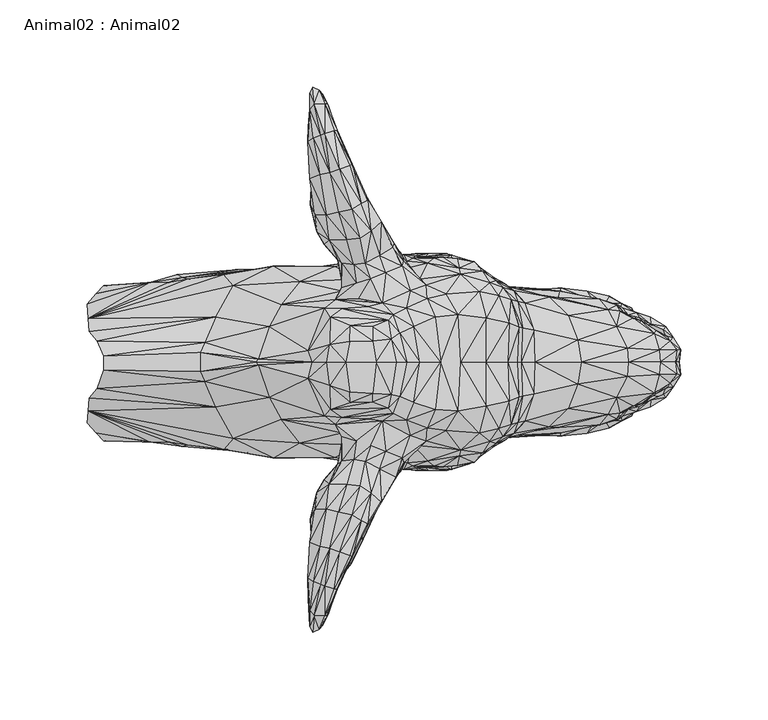
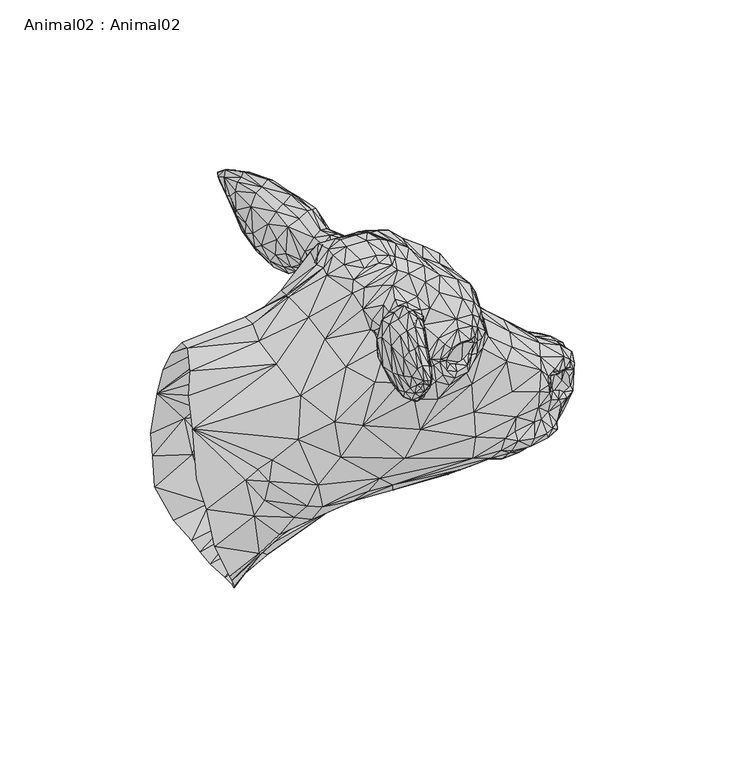
"""IFC4 building model written with IfcOpenShell, lengths in millimetres: geographic element geometry, Animal02 : Animal02."""

from ifc_helpers import new_model, si_unit, origin, place, context, project, spatial, triangles, source, transform, mapped, element, save


def animal02_animal02_574e4357(model_context):
    return source(origin(), model_context, "Body", "Tessellation", [
        triangles([(-230.8999868, 157.4538885, 793.0487589), (-235.1472021, 163.7828626, 784.6861879), (-237.748951, 165.3394718, 783.2227598), (-231.8325243, 157.0190495, 774.8603342), (-229.038418, 150.180041, 763.1510199), (-235.3130895, 165.0904318, 788.0311872), (-233.3754353, 162.7625034, 786.1496887), (-230.0159019, 155.5579649, 777.1599758), (-239.1580946, 166.7597521, 789.076545), (-240.991631, 163.3200093, 788.0311872), (-240.3244115, 162.1833418, 784.6861879), (-217.5898617, 30.1912803, 804.0716326), (-194.1740672, -9.4489299, 805.2083364), (-204.9000113, -8.8787958, 807.9195082), (-217.5898617, -14.0886147, 804.4089666), (-204.9000113, 21.2524569, 808.4964352), (-218.0430862, 20.9511081, 809.1003954), (-218.0430862, -8.0646132, 808.5233957), (-220.2324693, 9.2239197, 810.5600447), (-191.3870461, 9.2239197, 807.3637281), (-202.7106464, 9.2239197, 809.9561571), (-199.3144147, 43.1422476, 788.901265), (-205.7696167, 84.4837149, 793.2577578), (-207.4960011, 102.144174, 795.139329), (-205.9136667, 89.0329104, 787.6131168), (-213.9618492, 99.3599236, 793.2577578), (-221.4504546, 120.3764823, 797.0209002), (-216.5796036, 122.6477917, 799.1115429), (-226.0129486, 117.7873144, 790.5399731), (-230.7958689, 138.3762648, 790.5399731), (-231.283975, 93.4637082, 795.139329), (-238.1413689, 93.8549453, 785.9406172), (-207.4808131, -23.4624283, 790.8547794), (-199.3144147, -24.6944116, 788.901265), (-165.9106761, 9.2239197, 790.626087), (-229.2592439, 35.0078037, 800.881275), (-232.3784758, -21.7147878, 791.3950808), (-192.9336996, 36.4738297, 798.2010607), (-222.3968903, 39.9122032, 793.320472), (-192.9336996, -20.3860217, 797.8717203), (-222.3968903, -22.5617111, 793.320472), (-185.5897074, 40.1574189, 794.3431566), (-204.9000113, 29.5487505, 803.4606234), (-194.1740672, 22.5022057, 806.0789955), (-189.3328111, 25.8850025, 802.590037), (-223.6430896, 119.815679, 805.3833984), (-218.0167979, 121.7468111, 802.0383991), (-211.2997297, 99.9088454, 798.6933998), (-235.0335644, 116.7532296, 799.1115429), (-216.5199416, 96.7821558, 803.5018272), (-224.5333878, 95.1235996, 798.6933998), (-211.9634246, 80.2678385, 797.2299717), (-234.6178558, 139.3462183, 799.9477564), (-229.3195237, 117.8452142, 802.0383991), (-229.2592439, -18.0860293, 800.202392), (-229.3732995, -4.2627247, 805.555481), (-239.5468609, 9.2239197, 798.104991), (-229.3732995, 19.1715269, 805.555481), (-231.1132914, 9.2239197, 806.6272179), (-185.4405886, 9.2239197, 804.4051878), (-177.8170714, 9.2239197, 798.9715078), (-189.3328111, -10.4706227, 802.590037), (-181.2227501, -14.0241349, 798.9715078), (-195.8358298, 33.2635787, 800.7822985), (-204.9000113, -13.5777675, 804.0893641), (-195.8358298, -17.1757696, 801.4402525), (-233.9599199, -136.5974126, 787.2650276), (-228.88939, -119.1374318, 796.3937582), (-230.8999868, -136.4027842, 793.0487589), (-232.3981148, -136.1658165, 794.512187), (-235.0335644, -96.5698686, 799.1115429), (-226.0129486, -97.6039533, 790.5399731), (-230.7958689, -117.3251515, 790.5399731), (-221.4504546, -100.1931212, 797.0209002), (-240.9890694, -94.2362265, 790.5399731), (-231.283975, -75.0158653, 795.139329), (-225.162183, -121.2028944, 797.8571863), (-238.8940846, -116.6220966, 797.8571863), (-234.6178558, -118.2950959, 799.9477564), (-211.9634246, -61.8200047, 797.2299717), (-224.5333878, -76.6757613, 798.6933998), (-223.6430896, -99.6323179, 805.3833984), (-218.0167979, -101.5634409, 802.0383991), (-216.5199416, -78.3343083, 803.5018272), (-232.3798747, -119.1255321, 803.5018272), (-238.238238, -136.2123525, 796.8118286), (-226.7431366, -120.830706, 799.9477564), (-216.5796036, -102.4644306, 799.1115429), (-211.2997297, -81.4609979, 798.6933998), (-207.4960011, -83.6963357, 795.139329), (-229.3195237, -97.6618531, 802.0383991), (-197.2610335, 60.5310936, 782.8046894), (-215.5479624, 64.9579309, 783.2227598), (-214.2879557, 54.5209953, 782.8046894), (-226.1399757, 44.9149637, 777.6789122), (-214.2879557, -36.0731524, 782.8046894), (-222.5762579, -33.570698, 770.8881203), (-127.3139585, 9.2239197, 756.4655268), (-139.6806365, 9.2239197, 766.8052299), (-196.1226038, 77.3864737, 761.2502638), (-197.5698991, 84.6141939, 753.9540522), (-202.4701087, 84.1757396, 763.3619081), (-187.5015457, 69.3617364, 756.7275747), (-177.9851389, 56.7092702, 755.7075062), (-186.8949512, 67.211418, 764.3356859), (-222.3799582, 54.5284167, 762.5794704), (-224.7553219, 67.6261956, 764.3772532), (-228.4372919, 76.3839096, 753.9540522), (-162.6439423, 48.3198386, 772.5336594), (-174.2008495, 53.4221389, 766.0739519), (-187.7517848, 64.272871, 774.8317749), (-193.3363821, 74.9642696, 772.3515484), (-222.5762579, 52.0185363, 770.8881203), (-236.7198714, 83.8830249, 777.5781189), (-238.8361666, 140.2103825, 766.4960192), (-143.7812219, -31.3087539, 761.3323809), (-173.578849, -28.5791853, 784.8277491), (-139.6806365, 34.5449027, 768.1624146), (-139.6806365, -16.0970632, 768.1624146), (-226.1399757, -26.4671231, 777.6789122), (-235.1472021, -142.7317402, 784.6861879), (-240.3244115, -141.1322194, 784.6861879), (-191.7349355, -56.5164313, 772.3515484), (-187.7517848, -45.8250327, 774.8317749), (-202.4701087, -65.7278967, 763.3619081), (-196.1226038, -58.9386308, 761.2502638), (-188.7041975, -53.4595685, 755.6265518), (-192.593168, -58.6552361, 765.2434793), (-187.5015457, -50.9138935, 756.7275747), (-224.7553219, -49.1783527, 764.3772532), (-236.7198714, -65.435182, 777.5781189), (-232.4989444, -58.2071439, 767.5193579), (-240.2792835, -131.0309828, 777.1599758), (-238.8361666, -119.1592601, 766.4960192), (-236.9262178, -135.900889, 773.1877619), (-229.038418, -125.6578823, 763.1510199), (-231.8325243, -135.9679271, 774.8603342), (-226.3231223, -123.692568, 766.4960192), (-240.4569252, -103.3761028, 769.8427626), (-222.3799582, -36.0805761, 762.5794704), (-221.8994461, -42.3764741, 755.6265518), (-181.7449566, -38.2614318, 754.9772455), (-186.8949512, -48.7635797, 764.3356859), (-174.2008495, -35.970145, 766.0739519), (-222.464982, -47.6018455, 772.3515484), (-125.4652614, 44.9475926, 742.7545904), (-137.7956498, 54.7304166, 747.6156309), (-132.572949, -28.9738151, 752.5898912), (-225.2344532, 123.2283431, 739.946913), (-201.1074012, 78.809897, 745.8006254), (-198.7080927, 59.5613672, 744.01556), (-214.0038706, 66.5906529, 748.5184828), (-230.7908001, 137.4997104, 750.6474226), (-233.5089118, 98.928709, 747.6821966), (-227.317829, 81.9965303, 744.3371973), (-233.4666179, 119.5503063, 744.5462688), (-207.1047096, 88.0158849, 741.8284842), (-156.3278307, 68.6090389, 737.09091), (-157.3692461, 66.0582135, 733.6163401), (-149.4063964, 64.583953, 732.7196651), (-141.1070847, 59.4738407, 729.2450953), (-146.6987037, 66.7599558, 735.5324295), (-138.0362329, 58.5601974, 730.5634014), (-134.2202594, 56.0018006, 735.9921398), (-167.0137519, 69.0754349, 728.2363632), (-173.7969679, 69.2274968, 728.4925249), (-186.8612323, 70.7025703, 723.8434628), (-185.0306936, 67.1895807, 733.6403212), (-162.7525839, 68.5023276, 733.0559092), (-164.4188521, 69.4501077, 735.1748205), (-142.1173337, 61.4764937, 742.6852633), (-155.2558758, 63.1850241, 745.5956961), (-169.511183, 68.9125497, 740.7765135), (-129.8713515, 51.9737716, 740.3173845), (-181.7192678, 68.7644437, 731.0034182), (-121.6380423, 43.7655699, 726.9089006), (-118.9043247, 28.7755941, 730.4605007), (-212.3637817, 106.337223, 740.5740549), (-229.9904493, 99.7568561, 740.5740549), (-216.843214, 104.2484333, 737.2290556), (-121.6380423, -25.3177293, 726.9089006), (-125.4652614, -26.4997519, 742.7545904), (-121.5731298, 9.2239197, 744.7297606), (-227.317829, -63.5486828, 744.3371973), (-203.286665, -72.2716969, 744.3371973), (-201.1074012, -60.3620496, 745.8006254), (-225.2344532, -103.0449911, 739.946913), (-230.7908001, -116.448588, 750.6474226), (-226.2337927, -115.3420966, 752.7379927), (-212.3637817, -87.8893755, 740.5740549), (-162.7525839, -50.0544892, 733.0559092), (-157.3692461, -47.6103752, 733.6163401), (-149.4063964, -46.1361147, 732.7196651), (-141.1070847, -41.0260024, 729.2450953), (-181.7192678, -50.3166008, 731.0034182), (-180.0486212, -51.4948628, 725.8125286), (-174.7315766, -51.2076983, 726.4964258), (-173.7969679, -50.7796539, 728.4925249), (-167.0137519, -50.627592, 728.2363632), (-155.2558758, -44.7371812, 745.5956961), (-146.6987037, -48.3121174, 735.5324295), (-156.3278307, -50.161196, 737.09091), (-164.4188521, -51.0022648, 735.1748205), (-169.511183, -50.4647113, 740.7765135), (-138.0362329, -40.112359, 730.5634014), (-216.843214, -85.8005859, 737.2290556), (-207.1047096, -69.5680465, 741.8284842), (-229.9904493, -81.3090177, 740.5740549), (-134.2202594, -37.5539646, 735.9921398), (-134.3159385, -37.3048609, 723.0504152), (-124.0569263, -31.7151676, 725.2866159), (-129.8713515, -33.525931, 740.3173845), (-142.1173337, -43.0286508, 742.6852633), (-284.5984169, 53.0658243, 724.7580872), (-222.3968903, 49.8166449, 760.845492), (-257.332494, 42.2340454, 759.5985477), (-120.8179161, 29.2746916, 746.5794296), (-126.5587448, 31.5806032, 757.7807081), (-143.7812219, 49.7565968, 761.3323809), (-132.572949, 47.4216558, 752.5898912), (-154.2657655, 59.6712851, 752.2740675), (-173.2219304, 65.8158001, 745.1311169), (-195.4993678, 79.4409904, 753.7449806), (-198.0121141, 74.1256172, 749.9819109), (-192.0584986, 73.041163, 751.8107237), (-188.7041975, 71.9074068, 755.6265518), (-196.0857601, 78.9367334, 757.7171946), (-203.286665, 90.7195443, 744.3371973), (-198.665708, 82.2566616, 749.1456247), (-220.2648438, 124.622435, 744.5462688), (-226.2337927, 136.3932281, 752.7379927), (-217.1984975, 123.9749454, 750.3999813), (-202.1829533, 93.5423917, 751.0271959), (-210.1987431, 107.5776178, 747.6821966), (-218.4162466, 89.6657751, 762.525622), (-233.3869171, 114.1179617, 765.4524782), (-221.8994461, 60.824317, 755.6265518), (-213.2312978, 56.8179481, 748.2950953), (-220.6955225, 63.2672547, 752.072481), (-239.7100777, 114.0762945, 765.4524782), (-240.4569252, 123.5594548, 769.8427626), (-236.3310688, 116.7769109, 750.3999813), (-238.3545463, 127.7138524, 757.3374212), (-230.8781858, 83.1088988, 751.0271959), (-224.4412967, 75.9737647, 749.1456247), (-221.2265947, 72.3560531, 753.7449806), (-236.7412, 85.3789728, 762.525622), (-223.6555162, 71.3568045, 757.7171946), (-235.454469, 136.7398821, 752.7379927), (-162.6439423, -29.871998, 772.5336594), (-154.2657655, -41.2234422, 752.2740675), (-257.332494, -23.7862048, 759.5985477), (-185.0306936, -48.7417423, 733.6403212), (-284.5984169, -34.6179837, 724.7580872), (-173.2219304, -47.3679617, 745.1311169), (-126.5587448, -13.1327638, 757.7807081), (-137.7956498, -36.2825782, 747.6156309), (-120.8179161, -10.826851, 746.5794296), (-195.4993678, -60.993152, 753.7449806), (-230.8781858, -64.6610604, 751.0271959), (-198.665708, -63.8088232, 749.1456247), (-233.5089118, -80.4808706, 747.6821966), (-236.7412, -66.931139, 762.525622), (-235.454469, -115.6887597, 752.7379927), (-238.3545463, -110.1337845, 757.3374212), (-233.4666179, -99.3669453, 744.5462688), (-220.2648438, -107.0423489, 744.5462688), (-217.1984975, -106.3948593, 750.3999813), (-221.8127144, -112.3256656, 757.3374212), (-210.1987431, -92.1669306, 747.6821966), (-240.5435297, -80.9284632, 763.7799786), (-236.3310688, -96.5935499, 750.3999813), (-202.1829533, -75.0945488, 751.0271959), (-237.1177759, -122.5462263, 763.1510199), (-233.6897148, -124.8738549, 760.4331625), (-197.5698991, -66.166351, 753.9540522), (-192.0584986, -54.5933247, 751.8107237), (-196.0857601, -60.488895, 757.7171946), (-198.0121141, -55.6777788, 749.9819109), (-224.4412967, -57.5259264, 749.1456247), (-213.2312978, -38.3701098, 748.2950953), (-222.3968903, -31.3688066, 760.845492), (-220.6955225, -44.8194163, 752.072481), (-223.6555162, -52.9089662, 757.7171946), (-228.4372919, -57.9360712, 753.9540522), (-221.2265947, -53.9082102, 753.7449806), (-214.0038706, -48.1428145, 748.5184828), (-301.0020305, 20.4251205, 760.2219835), (-303.4974087, 14.646777, 772.6912806), (-358.8359822, 12.6257964, 769.9487154), (-362.6386934, -6.0390567, 756.7169649), (-358.8359822, 4.5363343, 769.9487154), (-362.6386934, 21.3003464, 756.7169649), (-367.0871501, 26.7368514, 739.6655348), (-264.1948477, 29.5919778, 773.9381521), (-294.6900975, 34.9646263, 745.9190775), (-303.4974087, 3.8010625, 772.6912806), (-270.4333477, 7.6460955, 783.2900522), (-301.0020305, -1.9772805, 760.2219835), (-367.0871501, -11.4755623, 739.6655348), (-271.758612, 9.2239197, 783.2900522), (-149.8550154, 62.2902704, 716.2434906), (-144.1352065, 59.3066271, 717.2522226), (-158.378614, 65.3199274, 716.3555477), (-141.2192417, 59.1355847, 715.1226288), (-149.3636664, 67.5067943, 713.2385868), (-164.6591899, 67.5996574, 719.8301176), (-159.8633162, 70.6794113, 713.4573961), (-168.7761988, 70.6289919, 717.3312149), (-172.9333215, 71.4999599, 715.2498739), (-162.6643807, 71.4682803, 708.881222), (-166.0745287, 69.3210049, 702.5839319), (-178.6601885, 71.2635462, 711.4349905), (-147.1183547, 61.5035678, 702.1181173), (-148.4070842, 67.2036696, 707.106839), (-134.9386748, 57.3960469, 712.9930349), (-87.1930881, 21.9248495, 694.4897312), (-174.0344534, 66.1562771, 690.5738365), (-195.6238697, 68.8074098, 699.7077267), (-92.8988808, -17.3899848, 691.0642136), (-111.5881652, 9.2239197, 720.5129248), (-87.1930881, -3.47701, 694.4897312), (-159.8633162, -52.2315729, 713.4573961), (-149.8550154, -43.842432, 716.2434906), (-149.3636664, -49.0589514, 713.2385868), (-141.2192417, -40.6877463, 715.1226288), (-162.6643807, -53.0204374, 708.881222), (-148.4070842, -48.7558221, 707.106839), (-158.378614, -46.872089, 716.3555477), (-164.6591899, -49.1518191, 719.8301176), (-166.0745287, -50.873162, 702.5839319), (-172.9333215, -53.052117, 715.2498739), (-134.9386748, -38.9482086, 712.9930349), (-147.1183547, -43.0557295, 702.1181173), (-40.6035036, 2.2209362, 662.5247492), (-58.7886309, 17.3211187, 671.8017265), (-70.2142053, 39.3524036, 664.5723713), (-65.1322708, 29.4826276, 668.6318619), (-127.1948615, 50.7855856, 710.5966696), (-92.8988808, 35.8378266, 691.0642136), (-103.735465, 46.5126814, 687.9871485), (-138.5661151, 55.2538539, 685.1798344), (-236.745433, 63.6342109, 687.0257246), (-290.0357122, 59.3297134, 690.3080824), (-255.0511471, 61.5564716, 663.609276), (-195.6238697, -50.3595669, 699.7077267), (-58.7886309, 0.8148344, 671.8017265), (-127.1948615, -32.3377427, 710.5966696), (-236.745433, -45.1863725, 687.0257246), (-117.5374477, -24.4965403, 713.5219271), (-103.735465, -28.0648386, 687.9871485), (-58.0334172, 9.2239197, 672.3921701), (-85.4309409, 9.2239197, 697.4516144), (-321.8398393, 54.8982706, 671.8731611), (-367.8415372, 34.1362408, 713.6986605), (-332.6532417, 54.8982706, 666.1519987), (-368.3241749, 42.6155447, 672.8146734), (-368.3241749, -25.6592736, 672.8146734), (-138.4154157, 57.5358458, 723.3046875), (-169.1452897, 69.4322263, 725.8826551), (-129.2328821, 54.0730394, 722.8517355), (-134.3159385, 55.7527016, 723.0504152), (-174.7315766, 69.6555366, 726.4964258), (-180.0486212, 69.9427012, 725.8125286), (-112.3433698, 27.524326, 718.4396502), (-124.0569263, 50.1630082, 725.2866159), (-117.5374477, 42.9443809, 713.5219271), (-207.575175, 67.8807086, 717.8161417), (-226.6838197, 63.9544675, 723.4091869), (-246.7270367, 55.4929927, 739.0242949), (-261.6994513, 64.1515757, 699.122806), (-178.6601885, -52.8157079, 711.4349905), (-168.7761988, -52.1811536, 717.3312149), (-169.1452897, -50.9843834, 725.8826551), (-112.3433698, -9.0764854, 718.4396502), (-186.8612323, -52.2547319, 723.8434628), (-207.575175, -49.4328702, 717.8161417), (-198.7080927, -41.1135243, 744.01556), (-294.6900975, -16.5167846, 745.9190775), (-367.8415372, -18.8749516, 713.6986605), (-261.6994513, -45.7037374, 699.122806), (-226.6838197, -45.5066246, 723.4091869), (-246.7270367, -37.0451521, 739.0242949), (-129.2328821, -35.6251988, 722.8517355), (-138.4154157, -39.0880075, 723.3046875), (-144.1352065, -40.8587887, 717.2522226), (-118.9043247, -10.3277524, 730.4605007), (-119.6595202, 9.2239197, 729.8681677), (-270.4333477, 11.054534, 783.2900522), (-232.3784758, 40.2973677, 791.3950808), (-181.2227501, 29.4385124, 798.9715078), (-173.578849, 45.6585457, 784.8277491), (-168.9314946, 34.8863494, 791.9412683), (-207.4808131, 41.0917278, 790.8547794), (-183.177827, 50.1316421, 777.7456232), (-199.9569446, 89.7332037, 789.494688), (-200.8702791, 70.3890039, 783.2227598), (-192.593168, 77.103079, 765.2434793), (-213.3515121, 90.4117779, 777.5781189), (-219.2668306, 98.732718, 785.9406172), (-229.0638343, 101.0888605, 763.7799786), (-205.880511, 57.1469479, 786.9859022), (-208.9311606, 66.0790653, 786.9859022), (-212.7278765, 45.652119, 785.104331), (-240.9890694, 114.4195875, 790.5399731), (-240.5435297, 99.3763016, 763.7799786), (-219.6239491, 79.4702855, 793.2577578), (-229.6736263, 79.031922, 789.494688), (-232.4989444, 76.6549777, 767.5193579), (-222.464982, 66.0496884, 772.3515484), (-183.177827, -32.993444, 777.7456232), (-264.1948477, -11.1441383, 773.9381521), (-168.9314946, -17.9552392, 791.9412683), (-185.5897074, -23.9846756, 794.3431566), (-241.736244, 15.6784387, 798.104991), (-154.2992118, 9.2239197, 777.4450602), (-155.8096211, 36.5737487, 779.0904539), (-241.736244, -0.2640606, 798.104991), (-155.8096211, -18.8842727, 779.0904539), (-229.6736263, -60.5840882, 789.494688), (-234.0410923, -106.3888641, 769.8427626), (-233.5708993, -115.5695083, 775.2784046), (-233.3869171, -93.9346006, 765.4524782), (-239.7100777, -93.8929335, 765.4524782), (-213.3515121, -71.9639395, 777.5781189), (-229.0638343, -82.6410222, 763.7799786), (-218.4162466, -71.2179413, 762.525622), (-238.1413689, -75.4071024, 785.9406172), (-199.9569446, -71.2853654, 789.494688), (-205.7696167, -66.0358675, 793.2577578), (-200.8702791, -51.941161, 783.2227598), (-219.2668306, -80.2848797, 785.9406172), (-213.9618492, -80.9120852, 793.2577578), (-205.9136667, -70.5850675, 787.6131168), (-240.9087872, -133.1100346, 792.9531252), (-241.6500937, -126.4949588, 781.9684032), (-241.8626897, -113.8208232, 775.2784046), (-242.1561493, -114.3733331, 792.0990349), (-233.8876133, -128.5466958, 781.9684032), (-230.0159019, -134.5068425, 777.1599758), (-238.3495321, -133.6077877, 774.8603342), (-233.3754353, -141.711381, 786.1496887), (-239.1580946, -145.7086297, 789.076545), (-237.748951, -144.2883494, 783.2227598), (-235.3130895, -144.0393094, 788.0311872), (-240.991631, -142.2688869, 788.0311872), (-219.6239491, -61.0224426, 793.2577578), (-215.5479624, -46.5100835, 783.2227598), (-205.880511, -38.6991095, 786.9859022), (-208.9311606, -47.6312224, 786.9859022), (-197.2610335, -42.0832507, 782.8046894), (-238.238238, 157.2634749, 796.8118286), (-232.3981148, 157.216948, 794.512187), (-232.3798747, 140.1766545, 803.5018272), (-226.7431366, 141.8818193, 799.9477564), (-225.162183, 142.2540077, 797.8571863), (-221.8127144, 133.376788, 757.3374212), (-226.3231223, 144.7436814, 766.4960192), (-234.0410923, 123.9689502, 769.8427626), (-233.8876133, 149.5978182, 781.9684032), (-233.5708993, 136.6206216, 775.2784046), (-233.9599199, 157.648535, 787.2650276), (-228.88939, 140.1885633, 796.3937582), (-240.9087872, 154.161157, 792.9531252), (-242.1561493, 135.4244646, 792.0990349), (-240.2792835, 152.0820961, 777.1599758), (-237.1177759, 143.5973487, 763.1510199), (-233.6897148, 149.3960137, 760.4331625), (-236.9262178, 156.9520114, 773.1877619), (-241.6500937, 144.0750358, 781.9684032), (-241.8626897, 134.8719547, 775.2784046), (-238.3495321, 154.6589101, 774.8603342), (-238.8940846, 137.67321, 797.8571863), (-34.4713152, -2.7677984, 650.4580439), (-28.3391223, 1.9332065, 642.0051441), (-31.2285876, 9.2239197, 651.9770645), (-29.3254924, 9.2239197, 641.1995974), (-28.3391223, 16.514634, 642.0051441), (-64.1857851, -23.5479018, 643.49219), (-61.0964116, -19.549261, 649.9355467), (-59.1487561, -14.8897559, 653.7613306), (-63.1112232, -19.9930497, 655.7077234), (-57.2682704, -10.4348725, 648.3918909), (-54.8504901, -8.592626, 646.5796469), (-51.2909963, -14.3980912, 650.4054308), (-55.9250611, -11.14484, 652.5531921), (-43.5675578, -5.8637211, 644.7003284), (-43.5675578, 24.3115611, 644.7003284), (-54.8504901, 27.0404666, 646.5796469), (-42.3586745, 27.3083281, 648.5931868), (-61.0964116, 37.9971016, 649.9355467), (-51.3581615, 33.1178209, 652.8217077), (-59.1487561, 33.3375977, 653.7613306), (-55.9250611, 29.5926795, 652.5531921), (-51.2909963, 32.8459307, 650.4054308), (-57.2682704, 28.882712, 648.3918909), (-45.6495256, -12.6037297, 630.9565453), (-51.7611211, -16.2080257, 637.1159803), (-58.2756717, -17.8118216, 639.9349216), (-38.2928843, -9.3284669, 631.64582), (-45.6572649, 35.1003534, 627.9727158), (-51.7611211, 34.6558675, 637.1159803), (-53.6416068, 37.5553476, 630.8067724), (-58.2756717, 36.2596622, 639.9349216), (-37.0087716, 29.5009359, 628.0578123), (-38.2928843, 27.7763092, 631.64582), (-45.6495256, 31.051568, 630.9565453), (-75.3059821, -25.878419, 635.3218311), (-60.1561619, -19.0898504, 645.640024), (-38.1275692, 19.783524, 641.8142401), (-64.1857851, 41.9957424, 643.49219), (-60.1561619, 37.537691, 645.640024), (-36.4537251, -4.4339465, 636.9300905), (-38.1275692, -1.3356829, 641.8142401), (-34.4713152, 21.2156382, 650.4580439), (-36.4537251, 22.881786, 636.9300905), (-78.8562605, -26.1840395, 623.2937862), (-51.1830904, -17.4901752, 624.4109419), (-56.4626283, -20.6539787, 612.3811529), (-97.5099184, 48.5257217, 623.703863), (-78.8562605, 44.6318824, 623.2937862), (-82.0486619, 50.062701, 612.8038015), (-71.8593493, 42.6402343, 622.0224249), (-56.4626283, 39.1018193, 612.3811529), (-105.3626095, 41.9033789, 597.6287467), (-102.1996939, 48.3824665, 605.6240799), (-86.1990354, 44.5474398, 602.091265), (-73.5655723, 33.5837445, 597.8146729), (-66.681563, 33.2988645, 603.3928207), (-71.8910879, 38.8365875, 602.4631173), (-71.8910879, -20.3887491, 602.4631173), (-73.5655723, -15.1359039, 597.8146729), (-86.1990354, -26.0995992, 602.091265), (-88.9898534, -20.8078982, 596.3271546), (-66.681563, -14.8510239, 603.3928207), (-71.9391545, 9.2239197, 604.2997421), (-67.6118387, 30.3584486, 600.2318582), (-64.7961766, 15.0286839, 600.2318582), (-63.8659055, 16.498893, 603.3928207), (-64.6084701, 9.2239197, 600.2318582), (-66.5165658, 9.2239197, 597.9322165), (-66.7042815, 13.5994527, 597.9322165), (-63.6781944, 9.2239197, 603.3928207), (-64.7961766, 3.4191565, 600.2318582), (-63.8659055, 1.9489478, 603.3928207), (-65.9780949, 43.358459, 603.9282532), (-58.8193249, 9.2239197, 606.8802896), (-139.9201931, 39.1683441, 597.8663049), (-139.9201931, -20.7205035, 597.8663049), (-137.6939118, -26.4997111, 605.8124042), (-110.3836239, 50.0458779, 612.1042803), (-114.8513835, 43.1958599, 602.6490798), (-137.6939118, 44.9475517, 605.8124042), (-201.3021749, 46.5492254, 610.4668802), (-230.2602366, 37.6911678, 600.5159615), (-223.2551773, 47.9884498, 612.9607687), (-194.3683867, 34.7490872, 596.1003516), (-62.1719091, -24.4271064, 610.4792341), (-56.4626283, -21.750546, 606.2317463), (-83.740301, -28.6163038, 604.5622261), (-82.0486619, -31.6148603, 612.8038015), (-110.3836239, -31.598035, 612.1042803), (-96.850511, -33.2289038, 617.0302877), (-100.4452407, -30.0274027, 606.8867935), (-69.3613731, -28.5006336, 610.9018827), (-65.9780949, -24.9106184, 603.9282532), (-223.2551773, -29.5406115, 612.9607687), (-201.3021749, -28.1013847, 610.4668802), (-102.1996939, -29.9346281, 605.6240799), (-114.8513835, -24.748017, 602.6490798), (-135.4676124, -32.423918, 613.7584671), (-71.8593493, -24.1923937, 622.0224249), (-48.2158842, -13.4415726, 615.801075), (-53.713709, -16.0431829, 608.788676), (-53.713709, 9.2239197, 610.6841635), (-45.0440574, 27.4854158, 611.1520128), (-56.4626283, 40.1983866, 606.2317463), (-53.713709, 33.906045, 608.788676), (-69.3613731, 46.9484743, 610.9018827), (-83.740301, 47.0641422, 604.5622261), (-96.850511, 51.6767467, 617.0302877), (-100.4452407, 48.4752433, 606.8867935), (-62.9541924, 37.5407659, 622.6580692), (-62.1719091, 42.8749493, 610.4792341), (-271.6522595, -29.5838024, 604.61731), (-230.2602366, -19.2433271, 600.5159615), (-45.0440574, 9.2239197, 612.7027903), (-34.0484032, -2.7291544, 623.1974258), (-274.019466, 62.1681303, 644.8418896), (-267.3976863, 57.5620343, 619.3964224), (-281.9705069, 62.374404, 627.3098928), (-289.9215477, 61.1457636, 615.867568), (-134.1954426, -34.6288206, 634.3676743), (-199.0758755, -41.0098878, 641.360198), (-289.9215477, -34.4006868, 615.867568), (-274.019466, -42.7329703, 644.8418896), (-267.3976863, -37.8292339, 619.3964224), (-107.3128175, -32.7066337, 622.2131109), (-45.0440574, -10.0612863, 611.1520128), (-97.5099184, -30.0778856, 623.703863), (-97.5027695, -31.4229843, 637.7389801), (-62.9541924, -19.0929253, 622.6580692), (-61.633688, -21.8046443, 635.3708834), (-37.0087716, -11.0530965, 628.0578123), (-32.5682224, -4.9610372, 641.3711712), (-53.6416068, -19.1075069, 630.8067724), (-45.6572649, -16.6525128, 627.9727158), (-35.0347733, 9.2239197, 624.3251913), (-135.4676124, 50.871754, 613.7584671), (-51.1830904, 35.9380158, 624.4109419), (-32.5682224, 23.4088773, 641.3711712), (-48.2158842, 30.8657032, 615.801075), (-34.0484032, 20.7382622, 623.1974258), (-75.3059821, 44.3262597, 635.3218311), (-107.3128175, 51.1544721, 622.2131109), (-134.1954426, 53.0766612, 634.3676743), (-61.633688, 40.2524849, 635.3708834), (-358.9328513, 53.0105906, 614.7695246), (-363.3216823, 48.4307239, 647.034561), (-363.3216823, -31.4744483, 647.034561), (-316.7511964, 59.4173262, 641.995915), (-316.7511964, -36.8208698, 641.995915), (-301.4851769, -32.7662322, 603.2191031), (-91.594609, 13.5994527, 588.1849191), (-91.594609, 27.4999861, 588.7440056), (-129.8036322, 13.5994527, 590.4497518), (-112.6910866, 9.2239197, 590.3771544), (-77.1088835, 9.2239197, 590.7091109), (-91.594609, 4.8483868, 588.7088333), (-112.6910866, 4.8483868, 590.3771544), (-132.9251985, 9.2239197, 589.2096385), (-146.8582598, 4.8483868, 588.3310584), (-91.594609, -9.0521461, 589.1268674), (-111.1302898, -9.0521461, 590.3771544), (-129.8036322, 4.8483868, 589.0008213), (-124.8982993, -9.0521461, 589.0008213), (-91.594609, 9.2239197, 586.6979095), (-200.3480544, 3.7024644, 584.1240841), (-175.4664881, 9.2239197, 579.1576358), (-200.3480544, 14.7453754, 584.1240841), (-175.4664881, 17.5061035, 582.3365842), (-146.8582598, 13.5994527, 583.9588689), (-148.4190384, 9.2239197, 583.9588689), (-175.4664881, 0.9417368, 582.3365842), (-200.3480544, 9.2239197, 579.8311775), (-239.5802891, 9.2239197, 577.4587569), (-336.1114245, 37.4702215, 567.4685237), (-344.3290915, -33.1841118, 580.7423501), (-336.1114245, -22.4408223, 567.4685237), (-307.8996291, -15.0491234, 576.5047817), (-331.3909278, 32.9395387, 558.1223282), (-327.4824454, -10.561836, 550.5768949), (-331.3909278, -18.2459418, 558.1223282), (-322.5147981, 11.4260672, 544.8633628), (-327.4824454, 25.2554329, 550.5768949), (-298.7562374, 15.442402, 565.9242866), (-304.2903836, 26.7590157, 571.2145523), (-239.5802891, 9.1642724, 583.5192882), (-290.3346766, 13.562207, 558.2294074), (-235.9686636, 3.1758349, 587.9000527), (-239.5802891, -0.2414322, 583.5192882), (-290.3346766, 4.8856336, 558.2294074), (-298.7562374, 3.0054386, 565.9242866), (-278.4582212, -11.2846809, 589.424451), (-304.2903836, -8.3111774, 571.2145523), (-322.5147981, 1.5046953, 544.8633628), (-271.6522595, 48.0316431, 604.61731), (-301.4851769, 51.2140751, 603.2191031), (-235.9686636, 15.2720057, 587.9000527), (-278.4582212, 29.7325216, 589.424451), (-195.6405474, 18.9049019, 586.04348), (-124.8982993, 27.4999861, 596.1412285), (-111.1302898, 27.4999861, 590.3771544), (-88.9898534, 39.2557389, 596.3271546), (-344.3290915, 50.5641329, 580.7423501), (-316.115116, 46.5610524, 588.5982659), (-307.8996291, 33.4969652, 576.5047817), (-316.115116, -28.1132095, 588.5982659), (-325.6563214, -36.8208698, 631.1892345), (-358.9328513, -36.054315, 614.7695246), (-143.7366934, -9.0521461, 588.3310584), (-195.6405474, -0.4570622, 586.04348), (-194.3683867, -16.3012454, 596.1003516), (-76.1703325, -7.326297, 592.8582893), (-105.3626095, -23.4555405, 597.6287467), (-69.7358052, -5.816179, 597.9322165), (-67.6118387, -11.9106079, 600.2318582), (-143.7366934, 27.4999861, 588.3310584), (-112.6910866, 13.5994527, 590.3771544), (-69.3040728, 25.3426755, 597.9322165), (-77.1088835, 13.5994527, 592.6876602), (-76.1703325, 26.6370619, 593.0231412), (-77.1088835, 4.8483868, 592.0396256), (-66.7042815, 4.8483868, 597.9322165), (-98.8745153, 46.1845538, 659.5933874), (-199.0758755, 59.4577261, 641.360198), (-325.6563214, 55.2687059, 631.1892345), (-311.0264368, 56.7168687, 677.5943235), (-313.8887984, 57.637602, 659.7951193), (-138.5661151, -36.806011, 685.1798344), (-98.8745153, -28.3374418, 659.5933874), (-174.0344534, -47.7084342, 690.5738365), (-186.8374147, -43.9330651, 665.2045275), (-290.0357122, -40.8818751, 690.3080824), (-135.0578264, -33.4256055, 656.4761358), (-255.0511471, -43.1086332, 663.609276), (-216.2501179, -34.8734255, 625.4055033), (-321.8398393, -36.4504345, 671.8731611), (-281.9705069, -41.1301067, 627.3098928), (-313.8887984, -39.161068, 659.7951193), (-311.0264368, -38.2690258, 677.5943235), (-65.1322708, -11.2130022, 668.6318619), (-55.5892622, -15.942032, 657.1172304), (-30.2422152, 2.4469201, 652.7826113), (-43.5638789, -8.5778308, 659.9676378), (-35.9112778, -5.3624185, 645.7742455), (-74.9295834, -26.9572822, 650.0425896), (-70.2142053, -20.9045629, 664.5723713), (-64.9245482, -23.3348516, 650.5396523), (-51.3581615, -14.6699803, 652.8217077), (-42.3586745, -8.8604892, 648.5931868), (-40.1000324, 9.2239197, 661.9343056), (-35.9112778, 23.8102586, 645.7742455), (-135.0578264, 51.8734462, 656.4761358), (-97.5027695, 49.8708249, 637.7389801), (-216.2501179, 53.3212684, 625.4055033), (-186.8374147, 62.380908, 665.2045275), (-55.5892622, 34.3898704, 657.1172304), (-40.6035036, 16.226904, 662.5247492), (-30.2422152, 16.0009208, 652.7826113), (-43.5638789, 25.5999545, 659.9676378), (-74.9295834, 45.4051228, 650.0425896), (-63.1112232, 38.4408903, 655.7077234), (-64.9245482, 41.7826922, 650.5396523), (-332.6532417, -36.4504345, 666.1519987)], [[6, 452, 453], [9, 452, 6], [453, 1, 6], [1, 7, 6], [462, 7, 1], [452, 10, 464], [452, 9, 10], [469, 2, 4], [3, 2, 469], [11, 469, 472], [11, 3, 469], [469, 5, 468], [469, 4, 5], [4, 458, 5], [8, 458, 4], [6, 3, 9], [6, 2, 3], [8, 2, 7], [8, 4, 2], [7, 2, 6], [8, 462, 460], [8, 7, 462], [3, 10, 9], [11, 10, 3], [11, 466, 10], [472, 466, 11], [16, 12, 17], [43, 12, 16], [13, 65, 66], [14, 65, 13], [15, 14, 18], [15, 65, 14], [19, 58, 59], [17, 58, 19], [17, 21, 16], [17, 19, 21], [44, 21, 20], [16, 21, 44], [44, 60, 45], [44, 20, 60], [56, 19, 59], [56, 18, 19], [21, 18, 14], [19, 18, 21], [21, 13, 20], [21, 14, 13], [62, 20, 13], [60, 20, 62], [38, 22, 394], [42, 22, 38], [24, 23, 396], [48, 23, 24], [25, 24, 396], [25, 26, 24], [27, 24, 26], [28, 24, 27], [28, 463, 456], [28, 27, 463], [26, 29, 27], [26, 400, 29], [30, 27, 29], [463, 27, 30], [405, 31, 49], [32, 31, 405], [407, 31, 408], [407, 51, 31], [49, 465, 405], [49, 473, 465], [34, 40, 33], [34, 414, 40], [391, 35, 393], [391, 61, 35], [35, 63, 413], [61, 63, 35], [36, 39, 390], [36, 390, 415], [41, 55, 37], [37, 55, 418], [39, 64, 38], [36, 64, 39], [39, 38, 394], [40, 41, 33], [38, 391, 42], [38, 45, 391], [36, 415, 58], [58, 12, 36], [58, 17, 12], [43, 44, 64], [43, 16, 44], [45, 64, 44], [38, 64, 45], [50, 23, 48], [52, 23, 50], [48, 46, 50], [48, 47, 46], [455, 46, 47], [454, 46, 455], [48, 28, 47], [48, 24, 28], [455, 28, 456], [47, 28, 455], [49, 51, 54], [31, 51, 49], [54, 50, 46], [51, 50, 54], [52, 51, 407], [52, 50, 51], [54, 454, 53], [54, 46, 454], [54, 473, 49], [54, 53, 473], [418, 55, 56], [63, 40, 414], [62, 40, 63], [66, 62, 13], [66, 40, 62], [15, 56, 55], [18, 56, 15], [57, 58, 415], [57, 59, 58], [61, 45, 60], [391, 45, 61], [59, 418, 56], [57, 418, 59], [62, 61, 60], [62, 63, 61], [12, 64, 36], [12, 43, 64], [65, 55, 66], [65, 15, 55], [66, 41, 40], [66, 55, 41], [76, 447, 420], [81, 447, 76], [90, 434, 429], [433, 434, 90], [69, 70, 445], [442, 69, 445], [442, 67, 69], [73, 68, 67], [430, 90, 429], [430, 89, 90], [68, 69, 67], [68, 77, 69], [446, 86, 435], [443, 86, 446], [86, 445, 70], [86, 443, 445], [438, 71, 75], [78, 71, 438], [74, 73, 72], [74, 68, 73], [72, 433, 74], [432, 433, 72], [76, 75, 71], [76, 428, 75], [68, 88, 77], [74, 88, 68], [78, 438, 435], [70, 77, 87], [69, 77, 70], [79, 78, 435], [90, 74, 433], [90, 88, 74], [430, 84, 89], [430, 80, 84], [81, 80, 447], [84, 80, 81], [82, 89, 84], [83, 89, 82], [84, 91, 82], [84, 81, 91], [85, 91, 79], [82, 91, 85], [82, 87, 83], [82, 85, 87], [70, 85, 86], [87, 85, 70], [79, 86, 85], [79, 435, 86], [78, 91, 71], [79, 91, 78], [88, 87, 77], [88, 83, 87], [88, 89, 83], [90, 89, 88], [81, 71, 91], [81, 76, 71], [395, 111, 92], [397, 111, 112], [92, 111, 397], [94, 410, 113], [94, 93, 410], [94, 95, 404], [113, 95, 94], [120, 97, 96], [218, 99, 98], [118, 99, 218], [99, 256, 98], [99, 119, 256], [226, 100, 103], [226, 227, 100], [102, 227, 101], [100, 227, 102], [105, 104, 103], [110, 104, 105], [103, 398, 105], [103, 100, 398], [107, 237, 106], [248, 237, 107], [248, 409, 108], [248, 107, 409], [219, 417, 118], [109, 417, 219], [110, 392, 109], [395, 392, 110], [110, 111, 395], [110, 105, 111], [112, 105, 398], [111, 105, 112], [399, 102, 235], [106, 410, 107], [106, 113, 410], [113, 215, 95], [106, 215, 113], [409, 114, 247], [115, 241, 471], [243, 241, 115], [419, 116, 119], [419, 250, 116], [117, 144, 250], [117, 411, 144], [416, 118, 417], [416, 99, 118], [119, 416, 419], [99, 416, 119], [282, 97, 120], [282, 140, 97], [121, 135, 137], [121, 444, 135], [135, 122, 441], [444, 122, 135], [124, 431, 123], [124, 451, 431], [278, 125, 276], [278, 126, 125], [126, 127, 129], [278, 127, 126], [128, 129, 143], [126, 129, 128], [132, 284, 285], [130, 284, 132], [131, 132, 263], [138, 439, 440], [138, 422, 439], [436, 134, 133], [437, 134, 436], [136, 135, 275], [137, 135, 136], [135, 274, 275], [135, 441, 274], [138, 137, 136], [138, 440, 137], [133, 274, 441], [134, 274, 133], [138, 421, 422], [269, 421, 138], [139, 134, 437], [139, 265, 134], [125, 425, 427], [143, 123, 128], [143, 124, 123], [124, 144, 411], [143, 144, 124], [145, 140, 130], [97, 140, 145], [141, 130, 140], [141, 284, 130], [142, 143, 129], [142, 144, 143], [124, 411, 451], [145, 96, 97], [448, 96, 145], [171, 221, 147], [171, 172, 221], [174, 220, 146], [174, 147, 220], [148, 212, 182], [257, 212, 148], [231, 149, 153], [231, 230, 149], [150, 228, 229], [157, 228, 150], [234, 228, 178], [233, 228, 234], [234, 230, 232], [234, 178, 230], [239, 152, 151], [156, 153, 149], [249, 153, 156], [155, 154, 179], [155, 244, 154], [242, 179, 154], [156, 179, 242], [157, 245, 155], [157, 150, 245], [222, 172, 173], [221, 172, 222], [158, 169, 170], [159, 169, 158], [158, 160, 159], [158, 162, 160], [161, 162, 163], [160, 162, 161], [163, 359, 161], [163, 362, 359], [164, 362, 163], [164, 361, 362], [360, 166, 165], [360, 363, 166], [175, 363, 364], [166, 363, 175], [167, 175, 364], [168, 175, 167], [165, 170, 169], [165, 166, 170], [170, 172, 158], [170, 173, 172], [162, 172, 171], [158, 172, 162], [171, 163, 162], [171, 164, 163], [166, 173, 170], [166, 175, 173], [147, 164, 171], [174, 164, 147], [222, 175, 168], [222, 173, 175], [164, 366, 361], [174, 366, 164], [146, 177, 176], [146, 217, 177], [174, 176, 366], [146, 176, 174], [178, 149, 230], [180, 149, 178], [178, 157, 180], [178, 228, 157], [156, 180, 179], [156, 149, 180], [157, 179, 180], [155, 179, 157], [387, 182, 181], [258, 182, 387], [181, 212, 211], [181, 182, 212], [177, 183, 388], [217, 183, 177], [183, 387, 388], [183, 258, 387], [280, 207, 184], [186, 207, 280], [262, 184, 208], [260, 184, 262], [185, 186, 261], [185, 207, 186], [188, 266, 187], [188, 264, 266], [267, 188, 187], [189, 188, 267], [267, 270, 268], [190, 270, 267], [208, 272, 262], [208, 266, 272], [273, 190, 185], [273, 270, 190], [287, 283, 378], [200, 255, 204], [200, 251, 255], [385, 205, 194], [210, 205, 385], [191, 202, 203], [191, 192, 202], [193, 202, 192], [201, 202, 193], [201, 194, 205], [201, 193, 194], [195, 376, 196], [195, 253, 376], [197, 195, 196], [197, 198, 195], [198, 374, 199], [197, 374, 198], [203, 199, 191], [198, 199, 203], [200, 203, 202], [204, 203, 200], [200, 201, 213], [200, 202, 201], [195, 255, 253], [204, 255, 195], [204, 198, 203], [195, 198, 204], [205, 213, 201], [209, 213, 205], [208, 207, 206], [208, 184, 207], [208, 187, 266], [206, 187, 208], [187, 190, 267], [187, 206, 190], [207, 190, 206], [185, 190, 207], [210, 209, 205], [384, 209, 210], [211, 209, 384], [211, 212, 209], [251, 213, 257], [200, 213, 251], [209, 257, 213], [209, 212, 257], [214, 216, 370], [214, 296, 216], [215, 216, 95], [370, 216, 215], [118, 220, 219], [118, 218, 220], [146, 218, 217], [220, 218, 146], [219, 147, 221], [220, 147, 219], [221, 109, 219], [221, 110, 109], [104, 221, 222], [110, 221, 104], [222, 151, 104], [222, 168, 151], [238, 370, 215], [369, 370, 238], [229, 224, 150], [229, 223, 224], [225, 224, 223], [151, 224, 225], [226, 151, 225], [225, 227, 226], [225, 223, 227], [101, 223, 229], [227, 223, 101], [229, 233, 101], [229, 228, 233], [231, 232, 230], [457, 232, 231], [103, 151, 226], [104, 151, 103], [102, 233, 235], [102, 101, 233], [234, 235, 233], [401, 235, 234], [401, 232, 236], [401, 234, 232], [457, 236, 232], [459, 236, 457], [238, 106, 237], [238, 215, 106], [238, 239, 151], [238, 237, 239], [247, 154, 244], [247, 406, 154], [240, 243, 242], [240, 241, 243], [242, 406, 240], [154, 406, 242], [156, 243, 249], [156, 242, 243], [244, 245, 108], [155, 245, 244], [246, 152, 239], [246, 224, 152], [246, 108, 245], [246, 248, 108], [246, 150, 224], [245, 150, 246], [247, 108, 409], [244, 108, 247], [248, 239, 237], [246, 239, 248], [115, 249, 243], [467, 249, 115], [250, 251, 116], [144, 251, 250], [148, 119, 116], [256, 119, 148], [252, 282, 120], [252, 383, 282], [383, 281, 282], [383, 382, 281], [253, 142, 378], [255, 142, 253], [252, 254, 383], [379, 254, 252], [251, 142, 255], [251, 144, 142], [256, 182, 258], [256, 148, 182], [257, 116, 251], [257, 148, 116], [98, 217, 218], [98, 183, 217], [258, 98, 256], [183, 98, 258], [259, 276, 261], [259, 278, 276], [285, 263, 132], [285, 260, 263], [273, 261, 276], [185, 261, 273], [262, 263, 260], [271, 263, 262], [265, 266, 264], [272, 266, 265], [268, 189, 267], [268, 269, 189], [423, 270, 426], [268, 270, 423], [271, 272, 424], [271, 262, 272], [427, 270, 273], [427, 426, 270], [264, 275, 274], [188, 275, 264], [275, 189, 136], [275, 188, 189], [265, 424, 272], [139, 424, 265], [423, 269, 268], [423, 421, 269], [265, 274, 134], [265, 264, 274], [138, 189, 269], [136, 189, 138], [273, 125, 427], [276, 125, 273], [378, 127, 277], [278, 277, 127], [259, 277, 278], [378, 129, 127], [378, 142, 129], [186, 286, 279], [186, 280, 286], [279, 261, 186], [259, 261, 279], [279, 277, 259], [279, 378, 277], [280, 260, 285], [280, 184, 260], [283, 281, 378], [141, 281, 283], [140, 281, 141], [282, 281, 140], [283, 284, 141], [283, 286, 284], [285, 286, 280], [284, 286, 285], [287, 286, 283], [279, 286, 287], [292, 289, 290], [292, 297, 289], [290, 288, 293], [290, 289, 288], [299, 292, 291], [297, 292, 299], [389, 288, 289], [295, 288, 389], [296, 293, 288], [294, 293, 296], [296, 295, 216], [296, 288, 295], [412, 379, 252], [299, 379, 412], [299, 298, 297], [299, 412, 298], [291, 379, 299], [291, 300, 379], [289, 297, 301], [289, 301, 389], [301, 297, 298], [303, 306, 302], [303, 305, 306], [304, 306, 308], [302, 306, 304], [305, 315, 306], [305, 316, 315], [308, 315, 311], [306, 315, 308], [308, 307, 304], [308, 309, 307], [311, 309, 308], [311, 310, 309], [312, 310, 311], [313, 310, 312], [312, 315, 314], [312, 311, 315], [316, 314, 315], [339, 314, 316], [365, 340, 367], [365, 317, 340], [318, 313, 312], [319, 313, 318], [320, 375, 350], [322, 375, 320], [317, 321, 353], [365, 321, 317], [321, 322, 353], [321, 375, 322], [325, 329, 323], [325, 324, 329], [325, 386, 324], [326, 386, 325], [328, 326, 325], [333, 326, 328], [328, 323, 327], [328, 325, 323], [330, 323, 329], [373, 323, 330], [373, 327, 323], [332, 327, 373], [372, 702, 331], [372, 346, 702], [332, 331, 327], [332, 372, 331], [328, 331, 334], [327, 331, 328], [334, 333, 328], [334, 348, 333], [715, 347, 712], [335, 347, 715], [335, 352, 347], [335, 722, 352], [336, 731, 338], [336, 729, 731], [352, 729, 336], [722, 729, 352], [695, 341, 337], [351, 701, 718], [338, 317, 336], [340, 317, 338], [367, 341, 339], [367, 340, 341], [337, 340, 338], [341, 340, 337], [318, 314, 342], [318, 312, 314], [339, 342, 314], [341, 342, 339], [343, 368, 319], [727, 319, 318], [343, 319, 727], [371, 345, 344], [371, 343, 345], [334, 702, 700], [331, 702, 334], [346, 703, 702], [346, 349, 703], [320, 718, 712], [320, 351, 718], [706, 381, 704], [349, 381, 706], [322, 712, 347], [322, 320, 712], [700, 348, 334], [700, 351, 348], [377, 349, 346], [351, 350, 348], [320, 350, 351], [353, 336, 317], [353, 352, 336], [347, 353, 322], [352, 353, 347], [354, 698, 699], [711, 708, 710], [354, 355, 698], [355, 354, 356], [380, 708, 711], [708, 380, 735], [356, 357, 355], [358, 735, 380], [296, 355, 294], [214, 355, 296], [305, 359, 362], [303, 359, 305], [360, 309, 363], [307, 309, 360], [316, 362, 361], [305, 362, 316], [363, 310, 364], [309, 310, 363], [364, 313, 167], [364, 310, 313], [339, 361, 366], [339, 316, 361], [365, 176, 177], [367, 176, 365], [366, 367, 339], [366, 176, 367], [368, 168, 167], [151, 168, 368], [167, 319, 368], [167, 313, 319], [238, 368, 369], [238, 151, 368], [370, 371, 214], [370, 369, 371], [343, 369, 368], [371, 369, 343], [344, 214, 371], [355, 344, 698], [355, 214, 344], [704, 380, 711], [254, 380, 704], [372, 196, 376], [332, 196, 372], [384, 348, 211], [333, 348, 384], [332, 197, 196], [332, 373, 197], [373, 374, 197], [373, 330, 374], [181, 375, 387], [181, 350, 375], [350, 211, 348], [181, 211, 350], [253, 377, 376], [253, 378, 377], [377, 281, 382], [378, 281, 377], [380, 379, 300], [380, 254, 379], [254, 704, 381], [381, 383, 254], [382, 383, 381], [346, 376, 377], [372, 376, 346], [382, 349, 377], [382, 381, 349], [210, 333, 384], [210, 326, 333], [385, 326, 210], [385, 386, 326], [388, 365, 177], [388, 321, 365], [375, 388, 387], [321, 388, 375], [295, 415, 390], [295, 389, 415], [390, 216, 295], [95, 216, 390], [95, 39, 394], [95, 390, 39], [393, 42, 391], [392, 42, 393], [392, 417, 109], [392, 393, 417], [42, 395, 22], [42, 392, 395], [95, 394, 22], [22, 92, 402], [22, 395, 92], [403, 92, 397], [402, 92, 403], [403, 23, 52], [403, 397, 23], [397, 396, 23], [397, 112, 396], [112, 398, 396], [25, 398, 100], [396, 398, 25], [102, 25, 100], [399, 25, 102], [400, 25, 399], [26, 25, 400], [399, 401, 400], [399, 235, 401], [236, 400, 401], [29, 400, 236], [29, 236, 459], [461, 29, 459], [30, 29, 461], [402, 93, 94], [402, 403, 93], [402, 404, 22], [94, 404, 402], [406, 114, 32], [247, 114, 406], [240, 405, 241], [32, 240, 406], [32, 405, 240], [407, 403, 52], [93, 403, 407], [408, 93, 407], [410, 93, 408], [405, 471, 241], [405, 465, 471], [408, 32, 114], [408, 31, 32], [408, 409, 107], [408, 114, 409], [107, 410, 408], [252, 37, 412], [252, 120, 37], [411, 414, 34], [117, 414, 411], [41, 120, 33], [37, 120, 41], [33, 120, 34], [418, 412, 37], [298, 412, 418], [414, 413, 63], [414, 117, 413], [419, 117, 250], [413, 117, 419], [57, 389, 301], [415, 389, 57], [417, 35, 416], [393, 35, 417], [298, 57, 301], [298, 418, 57], [35, 419, 416], [35, 413, 419], [145, 130, 420], [132, 420, 130], [131, 420, 132], [72, 422, 421], [72, 73, 422], [437, 75, 139], [438, 75, 437], [75, 424, 139], [423, 72, 421], [432, 423, 426], [432, 72, 423], [424, 428, 271], [75, 428, 424], [426, 425, 432], [427, 425, 426], [131, 271, 428], [131, 263, 271], [128, 123, 429], [128, 434, 126], [128, 429, 434], [434, 125, 126], [434, 425, 125], [428, 420, 131], [76, 420, 428], [429, 431, 430], [123, 431, 429], [430, 450, 80], [431, 450, 430], [434, 432, 425], [434, 433, 432], [436, 446, 435], [436, 133, 446], [438, 436, 435], [438, 437, 436], [67, 440, 439], [442, 440, 67], [121, 440, 442], [137, 440, 121], [133, 122, 446], [133, 441, 122], [439, 73, 67], [422, 73, 439], [121, 442, 445], [444, 445, 443], [121, 445, 444], [446, 444, 443], [446, 122, 444], [451, 34, 449], [411, 34, 451], [448, 420, 447], [448, 145, 420], [450, 447, 80], [450, 448, 447], [448, 449, 96], [450, 449, 448], [451, 450, 431], [451, 449, 450], [34, 96, 449], [34, 120, 96], [454, 453, 452], [454, 455, 453], [231, 468, 5], [153, 468, 231], [456, 453, 455], [456, 1, 453], [231, 458, 457], [231, 5, 458], [457, 461, 459], [457, 458, 461], [460, 458, 8], [461, 458, 460], [1, 463, 462], [456, 463, 1], [463, 30, 462], [30, 460, 462], [30, 461, 460], [470, 465, 464], [471, 465, 470], [464, 466, 470], [10, 466, 464], [468, 249, 467], [468, 153, 249], [467, 469, 468], [472, 469, 467], [115, 470, 466], [115, 471, 470], [467, 466, 472], [467, 115, 466], [452, 53, 454], [464, 53, 452], [473, 53, 464], [465, 473, 464], [475, 474, 605], [714, 474, 475], [475, 476, 714], [475, 477, 476], [476, 478, 730], [477, 478, 476], [515, 478, 611], [515, 730, 478], [480, 479, 509], [480, 719, 479], [481, 713, 482], [480, 482, 719], [481, 482, 480], [713, 486, 720], [481, 486, 713], [484, 485, 483], [485, 486, 483], [485, 720, 486], [721, 484, 487], [721, 485, 484], [489, 490, 488], [495, 490, 489], [511, 491, 512], [734, 491, 511], [494, 728, 492], [494, 493, 728], [728, 493, 733], [494, 495, 496], [492, 495, 494], [733, 491, 734], [733, 493, 491], [495, 489, 496], [497, 606, 607], [498, 606, 497], [499, 606, 498], [499, 603, 606], [604, 497, 607], [500, 497, 604], [503, 507, 501], [503, 502, 507], [503, 504, 502], [617, 504, 503], [507, 505, 501], [507, 506, 505], [487, 716, 721], [514, 716, 487], [717, 601, 508], [717, 479, 719], [508, 479, 717], [499, 479, 603], [509, 479, 499], [723, 488, 490], [723, 510, 488], [511, 732, 734], [511, 614, 732], [725, 732, 614], [511, 504, 617], [511, 512, 504], [605, 474, 716], [605, 514, 513], [605, 716, 514], [500, 605, 513], [500, 604, 605], [515, 611, 723], [611, 506, 516], [505, 506, 611], [510, 611, 516], [723, 611, 510], [563, 517, 600], [563, 561, 517], [519, 518, 602], [519, 573, 518], [600, 598, 563], [572, 561, 565], [517, 561, 572], [521, 581, 520], [522, 581, 521], [522, 523, 579], [522, 521, 523], [615, 520, 581], [610, 524, 583], [612, 524, 610], [526, 674, 525], [526, 527, 674], [528, 527, 530], [674, 527, 528], [528, 529, 537], [528, 530, 529], [548, 553, 552], [533, 532, 531], [533, 534, 532], [550, 549, 570], [534, 569, 685], [533, 569, 534], [535, 532, 687], [531, 532, 535], [574, 547, 575], [574, 559, 547], [536, 559, 566], [547, 559, 536], [538, 690, 537], [542, 690, 538], [537, 539, 538], [537, 529, 539], [540, 542, 538], [541, 542, 540], [538, 543, 540], [538, 539, 543], [543, 544, 540], [545, 544, 543], [545, 687, 544], [535, 687, 545], [694, 540, 544], [694, 541, 540], [686, 544, 687], [686, 694, 544], [547, 578, 575], [577, 578, 547], [577, 536, 546], [577, 547, 536], [554, 548, 557], [554, 553, 548], [549, 568, 683], [550, 568, 549], [526, 552, 551], [525, 552, 526], [556, 726, 554], [554, 609, 553], [554, 726, 609], [609, 552, 553], [609, 551, 552], [590, 555, 667], [590, 556, 555], [554, 555, 556], [557, 555, 554], [558, 566, 559], [558, 565, 566], [559, 519, 558], [574, 519, 559], [560, 563, 564], [560, 561, 563], [562, 563, 598], [564, 563, 562], [560, 565, 561], [566, 565, 560], [586, 568, 567], [586, 683, 568], [570, 569, 562], [570, 685, 569], [570, 571, 550], [562, 571, 570], [571, 568, 550], [707, 568, 571], [707, 567, 568], [572, 558, 602], [572, 565, 558], [602, 558, 519], [573, 574, 599], [573, 519, 574], [575, 599, 574], [587, 599, 575], [578, 612, 576], [524, 612, 578], [576, 575, 578], [576, 587, 575], [546, 584, 577], [579, 584, 546], [524, 577, 584], [524, 578, 577], [581, 580, 582], [522, 580, 581], [579, 580, 522], [579, 546, 580], [581, 551, 615], [581, 582, 551], [584, 583, 524], [584, 523, 583], [579, 523, 584], [586, 597, 585], [567, 597, 586], [588, 587, 608], [588, 599, 587], [587, 613, 608], [576, 613, 587], [591, 589, 590], [590, 726, 556], [590, 589, 726], [590, 592, 591], [667, 592, 590], [571, 594, 707], [593, 594, 571], [596, 709, 597], [595, 597, 709], [595, 585, 597], [707, 597, 567], [596, 597, 707], [572, 508, 517], [602, 508, 572], [602, 606, 603], [518, 606, 602], [571, 598, 593], [571, 562, 598], [599, 604, 573], [588, 604, 599], [607, 573, 604], [518, 573, 607], [601, 517, 508], [600, 517, 601], [598, 601, 593], [600, 601, 598], [603, 508, 602], [603, 479, 508], [605, 588, 475], [605, 604, 588], [607, 606, 518], [475, 608, 477], [588, 608, 475], [696, 609, 726], [696, 616, 609], [503, 501, 610], [612, 501, 505], [612, 610, 501], [503, 583, 617], [503, 610, 583], [608, 478, 477], [608, 613, 478], [613, 611, 478], [505, 611, 613], [613, 612, 505], [613, 576, 612], [614, 523, 521], [614, 583, 523], [725, 615, 616], [725, 520, 615], [521, 725, 614], [521, 520, 725], [615, 609, 616], [551, 609, 615], [614, 617, 583], [511, 617, 614], [618, 619, 697], [620, 680, 679], [592, 697, 621], [668, 697, 592], [679, 595, 622], [679, 623, 595], [673, 624, 689], [673, 625, 624], [691, 625, 692], [624, 625, 691], [642, 631, 643], [642, 626, 631], [627, 626, 689], [631, 626, 627], [627, 624, 637], [627, 689, 624], [628, 624, 691], [637, 624, 628], [629, 628, 693], [629, 637, 628], [635, 627, 630], [635, 631, 627], [631, 632, 643], [635, 632, 631], [629, 684, 633], [629, 693, 684], [636, 630, 634], [636, 635, 630], [635, 681, 632], [636, 681, 635], [629, 627, 637], [630, 627, 629], [629, 634, 630], [633, 634, 629], [640, 669, 671], [658, 669, 640], [640, 671, 641], [682, 638, 644], [660, 638, 682], [660, 661, 638], [640, 639, 645], [640, 641, 639], [639, 638, 645], [644, 638, 639], [641, 671, 688], [682, 644, 681], [642, 641, 688], [639, 641, 642], [643, 639, 642], [639, 643, 632], [644, 632, 681], [644, 639, 632], [645, 658, 640], [646, 658, 645], [646, 638, 661], [646, 645, 638], [662, 659, 646], [646, 659, 658], [661, 662, 646], [676, 647, 675], [676, 677, 647], [649, 678, 648], [650, 678, 649], [651, 677, 657], [647, 677, 651], [657, 655, 651], [657, 656, 655], [652, 665, 653], [663, 665, 652], [650, 653, 665], [650, 649, 653], [654, 656, 659], [655, 656, 654], [677, 670, 657], [670, 656, 657], [670, 669, 656], [658, 656, 669], [659, 656, 658], [663, 666, 662], [663, 652, 666], [663, 661, 660], [663, 662, 661], [663, 664, 665], [660, 664, 663], [664, 650, 665], [654, 662, 666], [654, 659, 662], [668, 667, 670], [668, 592, 667], [555, 670, 667], [669, 670, 555], [555, 671, 669], [555, 557, 671], [688, 557, 548], [671, 557, 688], [548, 672, 688], [548, 552, 672], [673, 552, 525], [672, 552, 673], [525, 625, 673], [525, 674, 625], [692, 674, 528], [625, 674, 692], [528, 690, 692], [528, 537, 690], [697, 676, 618], [697, 668, 676], [618, 676, 675], [668, 677, 676], [668, 670, 677], [650, 623, 678], [664, 623, 650], [664, 586, 585], [664, 660, 586], [585, 623, 664], [595, 623, 585], [678, 679, 680], [623, 679, 678], [678, 680, 648], [683, 681, 549], [683, 682, 681], [682, 586, 660], [683, 586, 682], [534, 684, 532], [534, 633, 684], [636, 549, 681], [570, 549, 636], [570, 634, 685], [570, 636, 634], [633, 685, 634], [534, 685, 633], [686, 532, 684], [687, 532, 686], [688, 626, 642], [688, 672, 626], [689, 672, 673], [626, 672, 689], [691, 690, 542], [691, 692, 690], [691, 541, 628], [691, 542, 541], [541, 693, 628], [694, 693, 541], [686, 693, 694], [684, 693, 686], [727, 342, 724], [727, 318, 342], [341, 724, 342], [695, 724, 341], [696, 343, 727], [345, 343, 696], [344, 589, 698], [344, 345, 589], [356, 697, 619], [356, 621, 697], [699, 589, 591], [699, 698, 589], [699, 356, 354], [621, 356, 699], [621, 591, 592], [621, 699, 591], [705, 351, 700], [705, 701, 351], [700, 703, 705], [702, 703, 700], [349, 594, 703], [349, 706, 594], [596, 704, 711], [706, 704, 596], [701, 717, 718], [701, 601, 717], [593, 703, 594], [705, 703, 593], [705, 601, 701], [705, 593, 601], [706, 707, 594], [706, 596, 707], [735, 710, 708], [735, 622, 710], [596, 710, 709], [711, 710, 596], [709, 622, 595], [710, 622, 709], [679, 735, 620], [622, 735, 679], [712, 482, 713], [712, 718, 482], [713, 715, 712], [720, 715, 713], [335, 474, 714], [335, 715, 474], [721, 474, 715], [716, 474, 721], [719, 718, 717], [719, 482, 718], [720, 721, 715], [485, 721, 720], [722, 714, 476], [335, 714, 722], [515, 490, 731], [515, 723, 490], [725, 724, 695], [616, 724, 725], [732, 695, 337], [725, 695, 732], [726, 345, 696], [589, 345, 726], [727, 616, 696], [727, 724, 616], [731, 728, 338], [731, 492, 728], [733, 338, 728], [337, 338, 733], [730, 722, 476], [730, 729, 722], [490, 492, 731], [490, 495, 492], [515, 729, 730], [731, 729, 515], [337, 734, 732], [733, 734, 337], [356, 619, 357], [620, 735, 358]], closed=False),
    ])


if __name__ == "__main__":
    model = new_model("IFC4")
    model_context = context("Model", 3, world=origin())
    ifc_project = project(units=[si_unit("LENGTHUNIT", "METRE", prefix="MILLI")], contexts=[model_context])
    site = spatial("IfcSite", under=ifc_project)
    building = spatial("IfcBuilding", under=site)
    placement = place(None, origin())
    animal02_animal02_shape = animal02_animal02_574e4357(model_context)
    element("IfcGeographicElement", 1, ObjectType="Animal02 : Animal02", at=placement, inside=building, context=model_context, shape_type="MappedRepresentation", body=[
        mapped(animal02_animal02_shape, transform((0.0, 0.0, 0.0), x_axis=(1.0, 0.0, 0.0), y_axis=(0.0, 1.0, 0.0), z_axis=(0.0, 0.0, 1.0))),
    ])
    save(model, "model.ifc")
